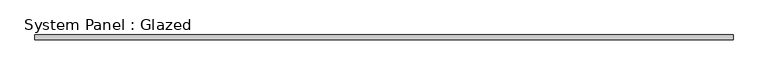
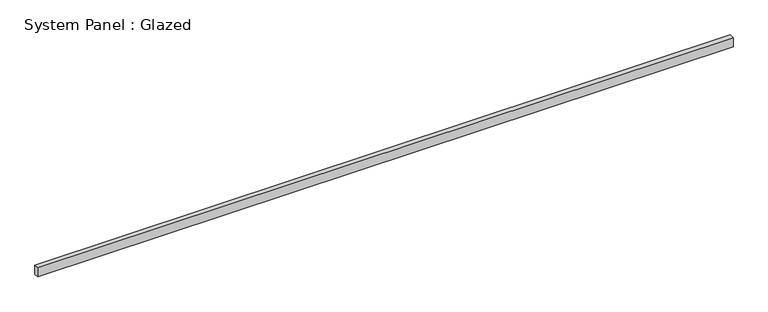
"""IFC4 building model written with IfcOpenShell, lengths in millimetres: plate geometry, System Panel : Glazed."""

from ifc_helpers import new_model, si_unit, origin, origin_with_axes, place, context, project, spatial, polyline, outline, extrude, source, transform, mapped, element, save


def system_panel_glazed_ef864ced(model_context):
    return source(origin(), model_context, "Body", "SweptSolid", [
        extrude(outline(polyline([(1825.1050693, 24.5), (-1825.1050693, 24.5), (-1825.1050693, 49.5), (1825.1050693, 49.5), (1825.1050693, 24.5)])), origin_with_axes(), (0.0, 0.0, 1.0), 50.0),
    ])


if __name__ == "__main__":
    model = new_model("IFC4")
    model_context = context("Model", 3, world=origin())
    ifc_project = project(units=[si_unit("LENGTHUNIT", "METRE", prefix="MILLI")], contexts=[model_context])
    site = spatial("IfcSite", under=ifc_project)
    building = spatial("IfcBuilding", under=site)
    placement = place(None, origin())
    system_panel_glazed_shape = system_panel_glazed_ef864ced(model_context)
    element("IfcPlate", 1, ObjectType="System Panel : Glazed", at=placement, inside=building, context=model_context, shape_type="MappedRepresentation", body=[
        mapped(system_panel_glazed_shape, transform((0.0, 0.0, 0.0), x_axis=(1.0, 0.0, 0.0), y_axis=(0.0, 1.0, 0.0), z_axis=(0.0, 0.0, 1.0))),
    ])
    save(model, "model.ifc")
